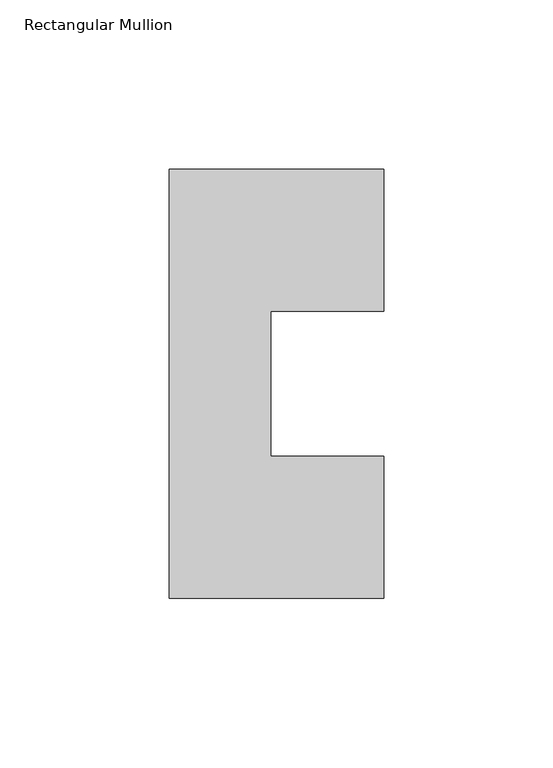
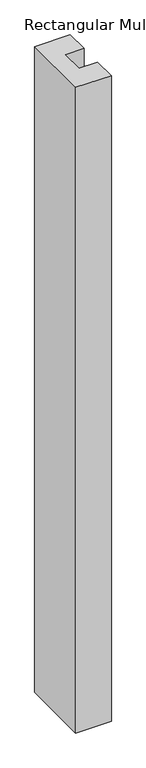
"""IFC4 building model written with IfcOpenShell, lengths in millimetres: member geometry, Rectangular Mullion."""

from ifc_helpers import new_model, si_unit, frame, origin, place, context, project, spatial, polyline, outline, extrude, source, transform, mapped, element, save


def rectangular_mullion_e4c70be6(model_context):
    return source(origin(), model_context, "Body", "SweptSolid", [
        extrude(outline(polyline([(-1.5748, 84.93125), (-1.5748, 42.0814369), (31.75, 42.0814369), (31.75, 0.0063369), (-31.75, 0.0063369), (-31.75, 127.0063369), (31.75, 127.0063369), (31.75, 84.93125), (-1.5748, 84.93125)])), frame((0.0, 0.0, -1219.2), z_axis=(0.0, 0.0, 1.0), x_axis=(1.0, 0.0, 0.0)), (0.0, 0.0, 1.0), 1219.2),
    ])


if __name__ == "__main__":
    model = new_model("IFC4")
    model_context = context("Model", 3, world=origin())
    ifc_project = project(units=[si_unit("LENGTHUNIT", "METRE", prefix="MILLI")], contexts=[model_context])
    site = spatial("IfcSite", under=ifc_project)
    building = spatial("IfcBuilding", under=site)
    placement = place(None, origin())
    rectangular_mullion_shape = rectangular_mullion_e4c70be6(model_context)
    element("IfcMember", 1, ObjectType="Rectangular Mullion", at=placement, inside=building, context=model_context, shape_type="MappedRepresentation", body=[
        mapped(rectangular_mullion_shape, transform((0.0, 0.0, 0.0), x_axis=(1.0, 0.0, 0.0), y_axis=(0.0, 1.0, 0.0), z_axis=(0.0, 0.0, 1.0))),
    ])
    save(model, "model.ifc")
